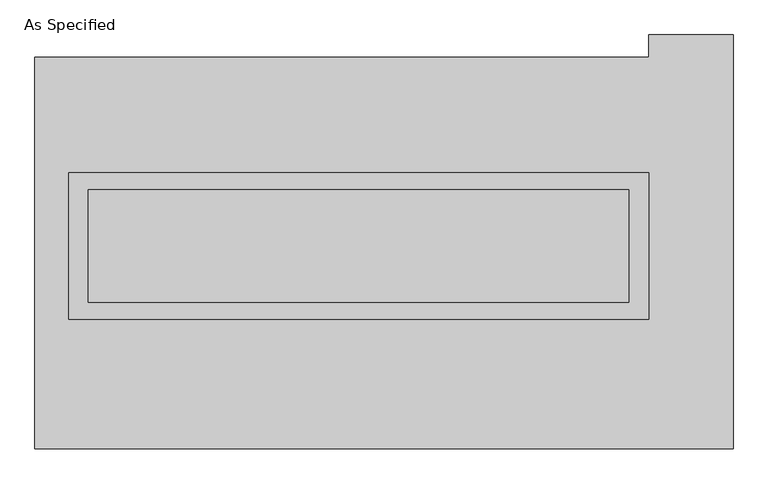
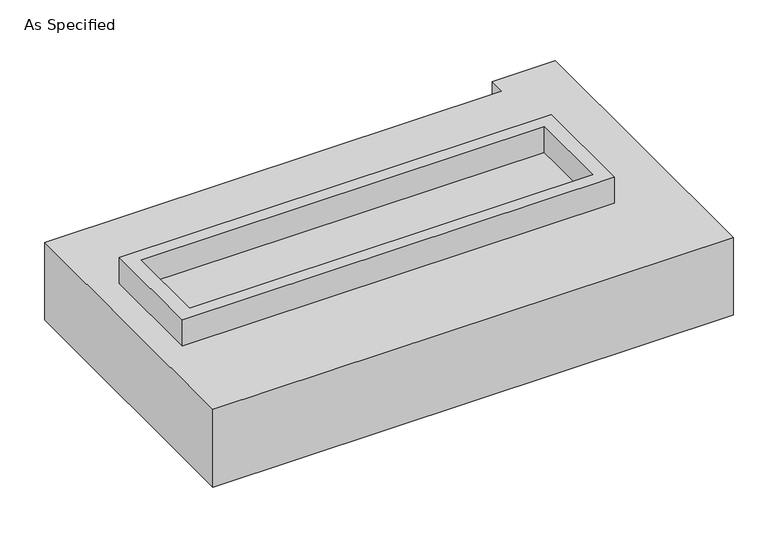
"""IFC4 building model written with IfcOpenShell, lengths in millimetres: proxy geometry, As Specified."""

from ifc_helpers import new_model, si_unit, frame, origin, place, context, project, spatial, polyline, outline, extrude, source, transform, mapped, element, save


def as_specified_e755ba0f(model_context):
    return source(origin(), model_context, "Body", "SweptSolid", [
        extrude(outline(polyline([(1308.1, 361.95), (1308.1, -298.45), (-1308.1, -298.45), (-1308.1, 361.95), (1308.1, 361.95)]), holes=[polyline([(1219.2, 285.75), (-1219.2, 285.75), (-1219.2, -222.25), (1219.2, -222.25), (1219.2, 285.75)])]), frame((0.0, 0.0, -688.975), z_axis=(0.0, 0.0, 1.0), x_axis=(1.0, 0.0, 0.0)), (0.0, 0.0, 1.0), 165.1),
        extrude(outline(polyline([(1308.1, 361.95), (1308.1, -298.45), (-1308.1, -298.45), (-1308.1, 361.95), (1308.1, 361.95)]), holes=[polyline([(1219.2, 285.75), (-1219.2, 285.75), (-1219.2, -222.25), (1219.2, -222.25), (1219.2, 285.75)])]), frame((0.0, 0.0, -25.4), z_axis=(0.0, 0.0, 1.0), x_axis=(1.0, 0.0, 0.0)), (0.0, 0.0, 1.0), 165.1),
        extrude(outline(polyline([(1219.2, 285.75), (1219.2, -222.25), (-1219.2, -222.25), (-1219.2, 285.75), (1219.2, 285.75)])), frame((0.0, 0.0, -523.875), z_axis=(0.0, 0.0, 1.0), x_axis=(1.0, 0.0, 0.0)), (0.0, 0.0, 1.0), 4.9609375),
        extrude(outline(polyline([(1219.2, 285.75), (1219.2, -222.25), (-1219.2, -222.25), (-1219.2, 285.75), (1219.2, 285.75)])), frame((0.0, 0.0, -30.3609375), z_axis=(0.0, 0.0, 1.0), x_axis=(1.0, 0.0, 0.0)), (0.0, 0.0, 1.0), 4.9609375),
        extrude(outline(polyline([(1689.1, -882.65), (-1460.5, -882.65), (-1460.5, 882.65), (1308.1, 882.65), (1308.1, 984.25), (1689.1, 984.25), (1689.1, -882.65)]), holes=[polyline([(-1308.1, 361.95), (-1308.1, -298.45), (1308.1, -298.45), (1308.1, 361.95), (-1308.1, 361.95)])]), frame((0.0, 0.0, -523.875), z_axis=(0.0, 0.0, 1.0), x_axis=(1.0, 0.0, 0.0)), (0.0, 0.0, 1.0), 498.475),
    ])


if __name__ == "__main__":
    model = new_model("IFC4")
    model_context = context("Model", 3, world=origin())
    ifc_project = project(units=[si_unit("LENGTHUNIT", "METRE", prefix="MILLI")], contexts=[model_context])
    site = spatial("IfcSite", under=ifc_project)
    building = spatial("IfcBuilding", under=site)
    placement = place(None, origin())
    as_specified_shape = as_specified_e755ba0f(model_context)
    element("IfcBuildingElementProxy", 1, Name="As Specified", ObjectType="As Specified", at=placement, inside=building, context=model_context, shape_type="MappedRepresentation", body=[
        mapped(as_specified_shape, transform((0.0, 0.0, 0.0), x_axis=(1.0, 0.0, 0.0), y_axis=(0.0, 1.0, 0.0), z_axis=(0.0, 0.0, 1.0))),
    ])
    save(model, "model.ifc")
